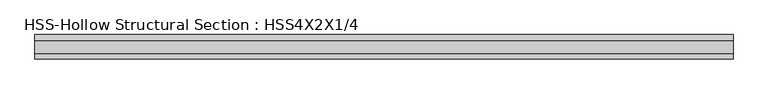
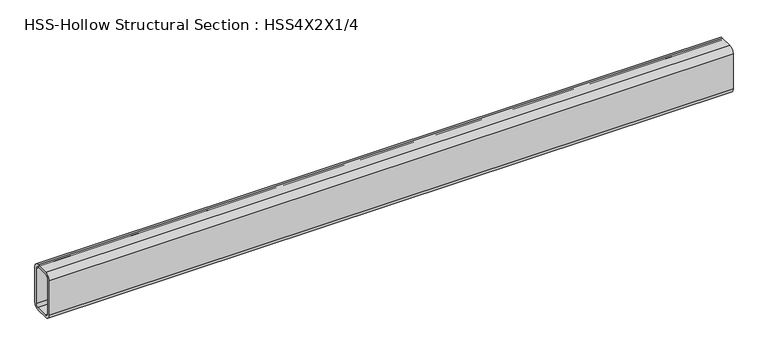
"""IFC4 building model written with IfcOpenShell, lengths in millimetres: beam geometry, HSS-Hollow Structural Section : HSS4X2X1/4."""

from ifc_helpers import new_model, si_unit, point, frame, frame_2d, origin, place, context, project, spatial, polyline, circle_curve, trimmed, segment, composite_curve, outline, extrude, source, transform, mapped, element, save


def hss_hollow_structural_section_hss4x2x1_4_f84981d9(model_context):
    return source(origin(), model_context, "Body", "SweptSolid", [
        extrude(outline(composite_curve([segment(polyline([(25.4, 38.9636), (25.4, -38.9636)]), True, "CONTINUOUS"), segment(trimmed(circle_curve(frame_2d((13.5636, -38.9636)), 11.8364), [point((25.4, -38.9636))], [point((13.5636, -50.8))], False, "CARTESIAN"), True, "CONTINUOUS"), segment(polyline([(13.5636, -50.8), (-13.5636, -50.8)]), True, "CONTINUOUS"), segment(trimmed(circle_curve(frame_2d((-13.5636, -38.9636)), 11.8364), [point((-13.5636, -50.8))], [point((-25.4, -38.9636))], False, "CARTESIAN"), True, "CONTINUOUS"), segment(polyline([(-25.4, -38.9636), (-25.4, 38.9636)]), True, "CONTINUOUS"), segment(trimmed(circle_curve(frame_2d((-13.5636, 38.9636)), 11.8364), [point((-25.4, 38.9636))], [point((-13.5636, 50.8))], False, "CARTESIAN"), True, "CONTINUOUS"), segment(polyline([(-13.5636, 50.8), (13.5636, 50.8)]), True, "CONTINUOUS"), segment(trimmed(circle_curve(frame_2d((13.5636, 38.9636)), 11.8364), [point((13.5636, 50.8))], [point((25.4, 38.9636))], False, "CARTESIAN"), True, "CONTINUOUS")], self_intersect=False), holes=[composite_curve([segment(trimmed(circle_curve(frame_2d((-13.5636, 38.9636)), 5.9182), [point((-13.5636, 44.8818))], [point((-19.4818, 38.9636))], True, "CARTESIAN"), True, "CONTINUOUS"), segment(polyline([(-19.4818, 38.9636), (-19.4818, -38.9636)]), True, "CONTINUOUS"), segment(trimmed(circle_curve(frame_2d((-13.5636, -38.9636)), 5.9182), [point((-19.4818, -38.9636))], [point((-13.5636, -44.8818))], True, "CARTESIAN"), True, "CONTINUOUS"), segment(polyline([(-13.5636, -44.8818), (13.5636, -44.8818)]), True, "CONTINUOUS"), segment(trimmed(circle_curve(frame_2d((13.5636, -38.9636)), 5.9182), [point((13.5636, -44.8818))], [point((19.4818, -38.9636))], True, "CARTESIAN"), True, "CONTINUOUS"), segment(polyline([(19.4818, -38.9636), (19.4818, 38.9636)]), True, "CONTINUOUS"), segment(trimmed(circle_curve(frame_2d((13.5636, 38.9636)), 5.9182), [point((19.4818, 38.9636))], [point((13.5636, 44.8818))], True, "CARTESIAN"), True, "CONTINUOUS"), segment(polyline([(13.5636, 44.8818), (-13.5636, 44.8818)]), True, "CONTINUOUS")], self_intersect=False)]), frame((-737.5188016, 0.0, 0.0), z_axis=(1.0, 0.0, 0.0), x_axis=(0.0, 1.0, 0.0)), (0.0, 0.0, 1.0), 1449.4861691),
    ])


if __name__ == "__main__":
    model = new_model("IFC4")
    model_context = context("Model", 3, world=origin())
    ifc_project = project(units=[si_unit("LENGTHUNIT", "METRE", prefix="MILLI")], contexts=[model_context])
    site = spatial("IfcSite", under=ifc_project)
    building = spatial("IfcBuilding", under=site)
    placement = place(None, origin())
    hss_hollow_structural_section_hss4x2x1_4_shape = hss_hollow_structural_section_hss4x2x1_4_f84981d9(model_context)
    element("IfcBeam", 1, ObjectType="HSS-Hollow Structural Section : HSS4X2X1/4", at=placement, inside=building, context=model_context, shape_type="MappedRepresentation", body=[
        mapped(hss_hollow_structural_section_hss4x2x1_4_shape, transform((0.0, 0.0, 0.0), x_axis=(1.0, 0.0, 0.0), y_axis=(0.0, 1.0, 0.0), z_axis=(0.0, 0.0, 1.0))),
    ])
    save(model, "model.ifc")
